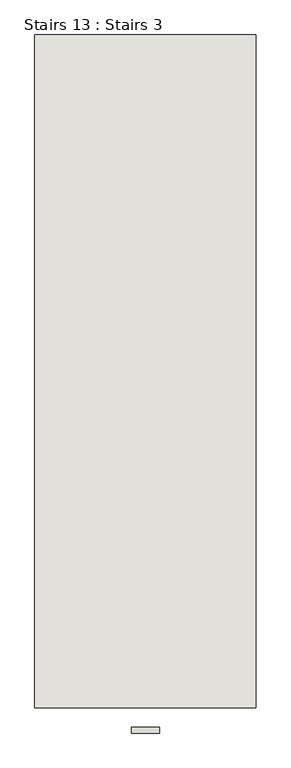
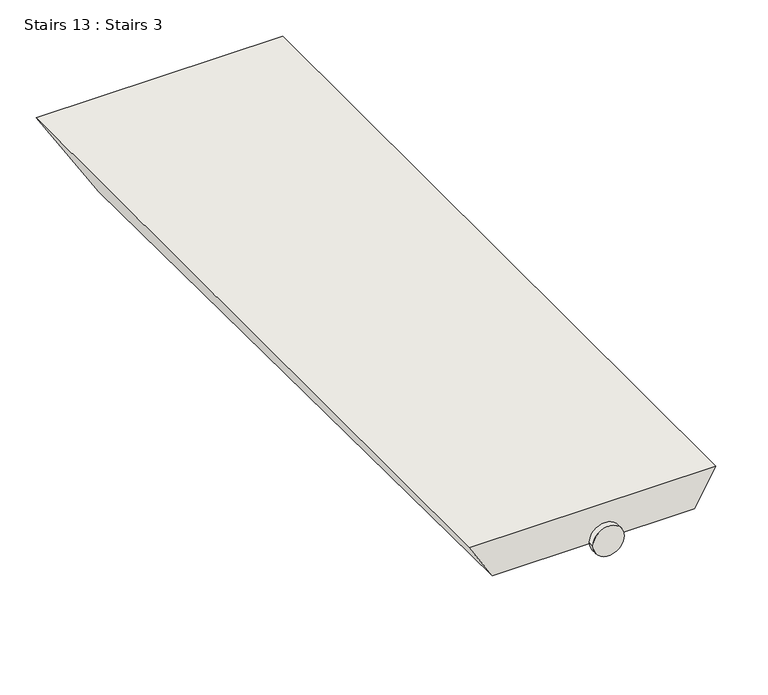
"""IFC4 building model written with IfcOpenShell, lengths in millimetres: wall geometry, Stairs 13 : Stairs 3."""

from ifc_helpers import new_model, si_unit, point, frame, frame_2d, origin, place, context, project, spatial, circle_curve, trimmed, segment, composite_curve, outline, extrude, faceted_brep, source, transform, mapped, element, save


def stairs_13_stairs_3_246ffd76(model_context):
    return source(origin(), model_context, "Body", "SolidModel", [
        extrude(outline(composite_curve([segment(trimmed(circle_curve(frame_2d((69036.7362305, 101748.4739409)), 25.0), [point((69036.7362305, 101773.4739409))], [point((69036.7362305, 101723.4739409))], False, "CARTESIAN"), True, "CONTINUOUS"), segment(trimmed(circle_curve(frame_2d((69036.7362305, 101748.4739409)), 25.0), [point((69036.7362305, 101723.4739409))], [point((69036.7362305, 101773.4739409))], False, "CARTESIAN"), True, "CONTINUOUS")], self_intersect=False)), frame((0.0, -36520.9230841, 0.0), z_axis=(0.0, 1.0, 0.0), x_axis=(0.0, 0.0, 1.0)), (0.0, 0.0, 1.0), 10.0),
        faceted_brep([(101945.8209207, -36475.9230841, 69066.7362305), (101551.1269612, -36475.9230841, 69066.7362305), (101588.6191223, -36475.9230841, 69006.7362305), (101911.1799045, -36475.9230841, 69006.7362305), (101551.1269612, -35275.9230841, 69066.7362305), (101945.8209207, -35275.9230841, 69066.7362305), (101853.4448776, -35275.9230841, 68906.7362305), (101651.1060575, -35275.9230841, 68906.7362305)], [[[0, 1, 2, 3]], [[4, 5, 6, 7]], [[5, 4, 1, 0]], [[7, 6, 3, 2]], [[2, 1, 4, 7]], [[0, 3, 6, 5]]]),
    ])


if __name__ == "__main__":
    model = new_model("IFC4")
    model_context = context("Model", 3, world=origin())
    ifc_project = project(units=[si_unit("LENGTHUNIT", "METRE", prefix="MILLI")], contexts=[model_context])
    site = spatial("IfcSite", under=ifc_project)
    building = spatial("IfcBuilding", under=site)
    placement = place(None, origin())
    stairs_13_stairs_3_shape = stairs_13_stairs_3_246ffd76(model_context)
    element("IfcWall", 1, ObjectType="Stairs 13 : Stairs 3", at=placement, inside=building, context=model_context, shape_type="MappedRepresentation", body=[
        mapped(stairs_13_stairs_3_shape, transform((0.0, 0.0, 0.0), x_axis=(1.0, 0.0, 0.0), y_axis=(0.0, 1.0, 0.0), z_axis=(0.0, 0.0, 1.0))),
    ])
    save(model, "model.ifc")
